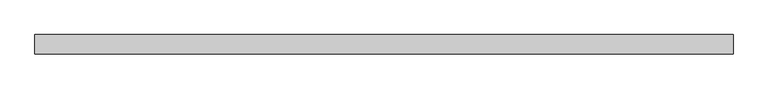
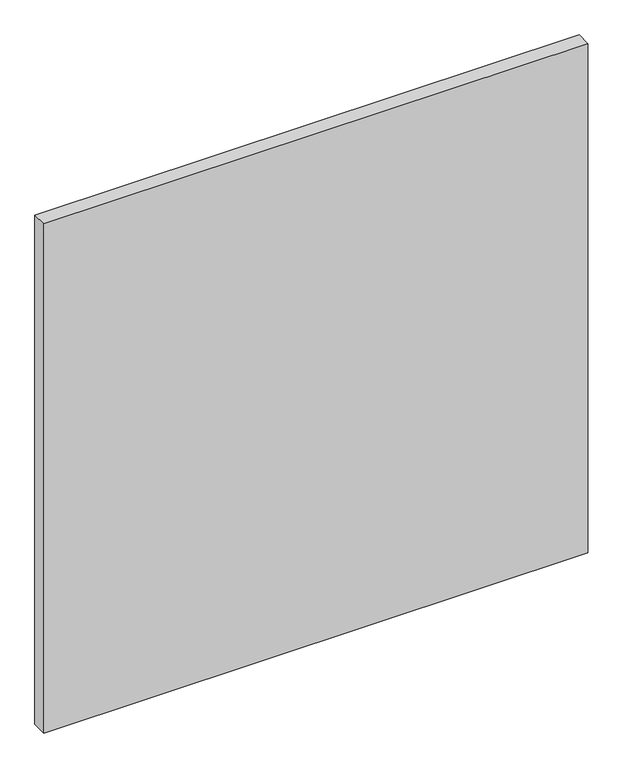
"""IFC4 building model written with IfcOpenShell, lengths in millimetres: plate geometry."""

from ifc_helpers import new_model, si_unit, origin, origin_with_axes, place, context, project, spatial, polyline, outline, extrude, source, transform, mapped, element, save


def plate_af0b64a3(model_context):
    return source(origin(), model_context, "Body", "SweptSolid", [
        extrude(outline(polyline([(575.0000002, -32.0), (-575.0000002, -32.0), (-575.0000002, 0.0), (575.0000002, 0.0), (575.0000002, -32.0)])), origin_with_axes(), (0.0, 0.0, 1.0), 1137.5),
    ])


if __name__ == "__main__":
    model = new_model("IFC4")
    model_context = context("Model", 3, world=origin())
    ifc_project = project(units=[si_unit("LENGTHUNIT", "METRE", prefix="MILLI")], contexts=[model_context])
    site = spatial("IfcSite", under=ifc_project)
    building = spatial("IfcBuilding", under=site)
    placement = place(None, origin())
    plate_shape = plate_af0b64a3(model_context)
    element("IfcPlate", 1, at=placement, inside=building, context=model_context, shape_type="MappedRepresentation", body=[
        mapped(plate_shape, transform((0.0, 0.0, 0.0), x_axis=(1.0, 0.0, 0.0), y_axis=(0.0, 1.0, 0.0), z_axis=(0.0, 0.0, 1.0))),
    ])
    save(model, "model.ifc")
